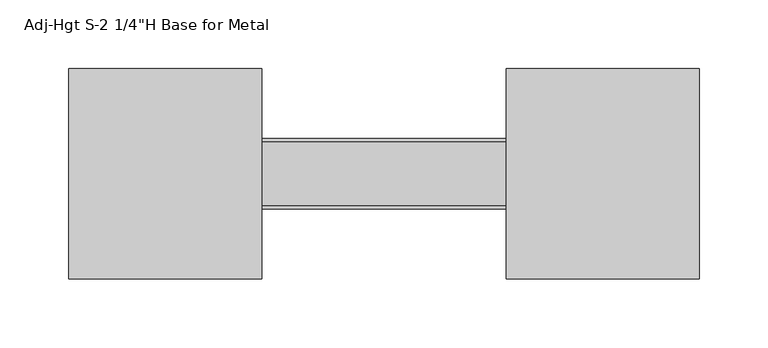
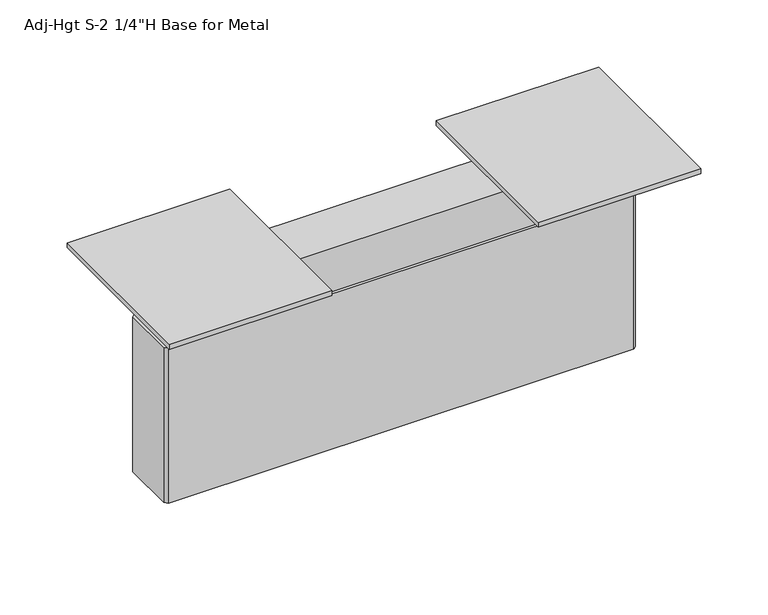
"""IFC4 building model written with IfcOpenShell, lengths in millimetres: furniture geometry."""

from ifc_helpers import new_model, si_unit, frame, origin, place, context, project, spatial, polyline, outline, extrude, source, transform, mapped, element, save


def furniture_88c5b699(model_context):
    return source(origin(), model_context, "Body", "SweptSolid", [
        extrude(outline(polyline([(111.4694339, 621.4846273), (111.4694339, 469.0846273), (-28.2305661, 469.0846273), (-28.2305661, 621.4846273), (111.4694339, 621.4846273)])), frame((0.0, 0.0, 702.66814), z_axis=(0.0, 0.0, 1.0), x_axis=(1.0, 0.0, 0.0)), (0.0, 0.0, 1.0), 4.34086),
        extrude(outline(polyline([(428.8398939, 621.4846273), (428.8398939, 469.0846273), (289.1398939, 469.0846273), (289.1398939, 621.4846273), (428.8398939, 621.4846273)])), frame((0.0, 0.0, 702.66814), z_axis=(0.0, 0.0, 1.0), x_axis=(1.0, 0.0, 0.0)), (0.0, 0.0, 1.0), 4.34086),
        extrude(outline(polyline([(398.2125739, 568.2716273), (400.7525739, 565.7316273), (400.7525739, 524.8376273), (398.2125739, 522.2976273), (2.4577139, 522.2976273), (-0.0822861, 524.8376273), (-0.0822861, 565.7316273), (2.4577139, 568.2716273), (398.2125739, 568.2716273)])), frame((0.0, 0.0, 663.01874), z_axis=(0.0, 0.0, 1.0), x_axis=(1.0, 0.0, 0.0)), (0.0, 0.0, 1.0), 39.6494),
        extrude(outline(polyline([(400.4426939, 519.8846273), (0.0218539, 519.8846273), (-2.5181461, 522.4246273), (-2.5181461, 568.1446273), (0.0218539, 570.6846273), (400.4426939, 570.6846273), (402.9826939, 568.1446273), (402.9826939, 522.4246273), (400.4426939, 519.8846273)])), frame((0.0, 0.0, 521.92174), z_axis=(0.0, 0.0, 1.0), x_axis=(1.0, 0.0, 0.0)), (0.0, 0.0, 1.0), 141.097),
    ])


if __name__ == "__main__":
    model = new_model("IFC4")
    model_context = context("Model", 3, world=origin())
    ifc_project = project(units=[si_unit("LENGTHUNIT", "METRE", prefix="MILLI")], contexts=[model_context])
    site = spatial("IfcSite", under=ifc_project)
    building = spatial("IfcBuilding", under=site)
    placement = place(None, origin())
    furniture_shape = furniture_88c5b699(model_context)
    element("IfcFurniture", 1, ObjectType="Adj-Hgt S-2 1/4\"H Base for Metal", at=placement, inside=building, context=model_context, shape_type="MappedRepresentation", body=[
        mapped(furniture_shape, transform((0.0, 0.0, 0.0), x_axis=(1.0, 0.0, 0.0), y_axis=(0.0, 1.0, 0.0), z_axis=(0.0, 0.0, 1.0))),
    ])
    save(model, "model.ifc")
